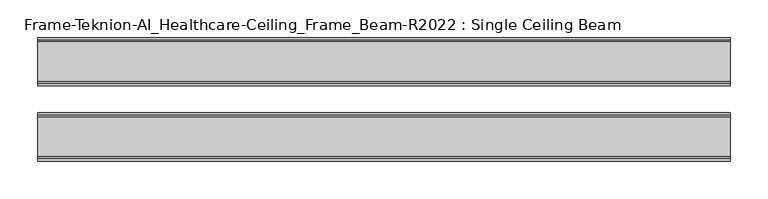
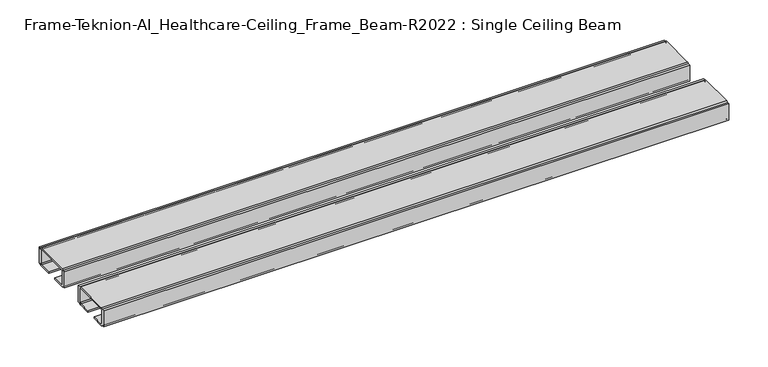
"""IFC4 building model written with IfcOpenShell, lengths in millimetres: furniture geometry, Frame-Teknion-AI_Healthcare-Ceiling_Frame_Beam-R2022 : Single Ceiling Beam."""

from ifc_helpers import new_model, si_unit, point, frame, frame_2d, origin, place, context, project, spatial, polyline, circle_curve, trimmed, segment, composite_curve, outline, extrude, source, transform, mapped, element, save


def frame_teknion_ai_healthcare_ceiling_frame_beam_r2022_single_ff68668a(model_context):
    return source(origin(), model_context, "Body", "SweptSolid", [
        extrude(outline(composite_curve([segment(polyline([(82.1812471, 1573.5046), (79.0062502, 1573.5046), (79.0062502, 1574.6129989)]), True, "CONTINUOUS"), segment(trimmed(circle_curve(frame_2d((76.5932502, 1574.6129989)), 2.413), [point((79.0062502, 1574.6129989))], [point((76.5932502, 1572.199999))], False, "CARTESIAN"), True, "CONTINUOUS"), segment(polyline([(76.5932502, 1572.199999), (57.9437458, 1572.199999), (57.9437458, 1574.4859991), (75.4502513, 1574.4859991)]), True, "CONTINUOUS"), segment(trimmed(circle_curve(frame_2d((75.4502513, 1576.0099999)), 1.5240008), [point((75.4502513, 1574.4859991))], [point((76.9742521, 1576.0099999))], True, "CARTESIAN"), True, "CONTINUOUS"), segment(polyline([(76.9742521, 1576.0099999), (76.9742521, 1597.1520009)]), True, "CONTINUOUS"), segment(trimmed(circle_curve(frame_2d((75.9582531, 1597.1520009)), 1.015999), [point((76.9742521, 1597.1520009))], [point((75.9582531, 1598.168))], True, "CARTESIAN"), True, "CONTINUOUS"), segment(polyline([(75.9582531, 1598.168), (24.0542492, 1598.168)]), True, "CONTINUOUS"), segment(trimmed(circle_curve(frame_2d((24.0542492, 1597.1520009)), 1.015999), [point((24.0542492, 1598.168))], [point((23.0382502, 1597.1520009))], True, "CARTESIAN"), True, "CONTINUOUS"), segment(polyline([(23.0382502, 1597.1520009), (23.0382502, 1576.0099999)]), True, "CONTINUOUS"), segment(trimmed(circle_curve(frame_2d((24.562251, 1576.0099999)), 1.5240008), [point((23.0382502, 1576.0099999))], [point((24.562251, 1574.4859991))], True, "CARTESIAN"), True, "CONTINUOUS"), segment(polyline([(24.562251, 1574.4859991), (42.0687564, 1574.4859991), (42.0687564, 1572.199999), (23.4192521, 1572.199999)]), True, "CONTINUOUS"), segment(trimmed(circle_curve(frame_2d((23.4192521, 1574.6129989)), 2.413), [point((23.4192521, 1572.199999))], [point((21.0062521, 1574.6129989))], False, "CARTESIAN"), True, "CONTINUOUS"), segment(polyline([(21.0062521, 1574.6129989), (21.0062521, 1573.5046), (17.8312551, 1573.5046), (17.8312551, 1598.9045998), (21.0062521, 1598.9045998), (21.0062521, 1597.787)]), True, "CONTINUOUS"), segment(trimmed(circle_curve(frame_2d((23.4192521, 1597.787)), 2.413), [point((21.0062521, 1597.787))], [point((23.4192521, 1600.2))], False, "CARTESIAN"), True, "CONTINUOUS"), segment(polyline([(23.4192521, 1600.2), (76.5932502, 1600.2)]), True, "CONTINUOUS"), segment(trimmed(circle_curve(frame_2d((76.5932502, 1597.787)), 2.413), [point((76.5932502, 1600.2))], [point((79.0062502, 1597.787))], False, "CARTESIAN"), True, "CONTINUOUS"), segment(polyline([(79.0062502, 1597.787), (79.0062502, 1598.9045998), (82.1812471, 1598.9045998), (82.1812471, 1573.5046)]), True, "CONTINUOUS")], self_intersect=False)), frame((-460.6862302, 0.0, 0.0), z_axis=(1.0, 0.0, 0.0), x_axis=(0.0, 1.0, 0.0)), (0.0, 0.0, 1.0), 921.3724603),
        extrude(outline(composite_curve([segment(polyline([(-82.1812471, 1573.5046), (-82.1812471, 1598.9045998), (-79.0062456, 1598.9045998), (-79.0062456, 1597.787)]), True, "CONTINUOUS"), segment(trimmed(circle_curve(frame_2d((-76.5932457, 1597.787)), 2.413), [point((-79.0062456, 1597.787))], [point((-76.5932457, 1600.2))], False, "CARTESIAN"), True, "CONTINUOUS"), segment(polyline([(-76.5932457, 1600.2), (-23.4192475, 1600.2)]), True, "CONTINUOUS"), segment(trimmed(circle_curve(frame_2d((-23.4192475, 1597.787)), 2.413), [point((-23.4192475, 1600.2))], [point((-21.0062476, 1597.787))], False, "CARTESIAN"), True, "CONTINUOUS"), segment(polyline([(-21.0062476, 1597.787), (-21.0062476, 1598.9045998), (-17.8312506, 1598.9045998), (-17.8312506, 1573.5046), (-21.0062476, 1573.5046), (-21.0062476, 1574.6129989)]), True, "CONTINUOUS"), segment(trimmed(circle_curve(frame_2d((-23.4192475, 1574.6129989)), 2.413), [point((-21.0062476, 1574.6129989))], [point((-23.4192475, 1572.199999))], False, "CARTESIAN"), True, "CONTINUOUS"), segment(polyline([(-23.4192475, 1572.199999), (-42.0687519, 1572.199999), (-42.0687519, 1574.4859991), (-24.5622464, 1574.4859991)]), True, "CONTINUOUS"), segment(trimmed(circle_curve(frame_2d((-24.5622464, 1576.0099999)), 1.5240008), [point((-24.5622464, 1574.4859991))], [point((-23.0382456, 1576.0099999))], True, "CARTESIAN"), True, "CONTINUOUS"), segment(polyline([(-23.0382456, 1576.0099999), (-23.0382456, 1597.1520009)]), True, "CONTINUOUS"), segment(trimmed(circle_curve(frame_2d((-24.0542446, 1597.1520009)), 1.015999), [point((-23.0382456, 1597.1520009))], [point((-24.0542446, 1598.168))], True, "CARTESIAN"), True, "CONTINUOUS"), segment(polyline([(-24.0542446, 1598.168), (-75.9582485, 1598.168)]), True, "CONTINUOUS"), segment(trimmed(circle_curve(frame_2d((-75.9582485, 1597.1520009)), 1.015999), [point((-75.9582485, 1598.168))], [point((-76.9742476, 1597.1520009))], True, "CARTESIAN"), True, "CONTINUOUS"), segment(polyline([(-76.9742476, 1597.1520009), (-76.9742476, 1576.0099999)]), True, "CONTINUOUS"), segment(trimmed(circle_curve(frame_2d((-75.4502468, 1576.0099999)), 1.5240008), [point((-76.9742476, 1576.0099999))], [point((-75.4502468, 1574.4859991))], True, "CARTESIAN"), True, "CONTINUOUS"), segment(polyline([(-75.4502468, 1574.4859991), (-57.9437413, 1574.4859991), (-57.9437413, 1572.199999), (-76.5932457, 1572.199999)]), True, "CONTINUOUS"), segment(trimmed(circle_curve(frame_2d((-76.5932457, 1574.6129989)), 2.413), [point((-76.5932457, 1572.199999))], [point((-79.0062456, 1574.6129989))], False, "CARTESIAN"), True, "CONTINUOUS"), segment(polyline([(-79.0062456, 1574.6129989), (-79.0062456, 1573.5046), (-82.1812471, 1573.5046)]), True, "CONTINUOUS")], self_intersect=False)), frame((-460.6862302, 0.0, 0.0), z_axis=(1.0, 0.0, 0.0), x_axis=(0.0, 1.0, 0.0)), (0.0, 0.0, 1.0), 921.3724603),
    ])


if __name__ == "__main__":
    model = new_model("IFC4")
    model_context = context("Model", 3, world=origin())
    ifc_project = project(units=[si_unit("LENGTHUNIT", "METRE", prefix="MILLI")], contexts=[model_context])
    site = spatial("IfcSite", under=ifc_project)
    building = spatial("IfcBuilding", under=site)
    placement = place(None, origin())
    frame_teknion_ai_healthcare_ceiling_frame_beam_r2022_single_shape = frame_teknion_ai_healthcare_ceiling_frame_beam_r2022_single_ff68668a(model_context)
    element("IfcFurniture", 1, ObjectType="Frame-Teknion-AI_Healthcare-Ceiling_Frame_Beam-R2022 : Single Ceiling Beam", at=placement, inside=building, context=model_context, shape_type="MappedRepresentation", body=[
        mapped(frame_teknion_ai_healthcare_ceiling_frame_beam_r2022_single_shape, transform((0.0, 0.0, 0.0), x_axis=(1.0, 0.0, 0.0), y_axis=(0.0, 1.0, 0.0), z_axis=(0.0, 0.0, 1.0))),
    ])
    save(model, "model.ifc")
